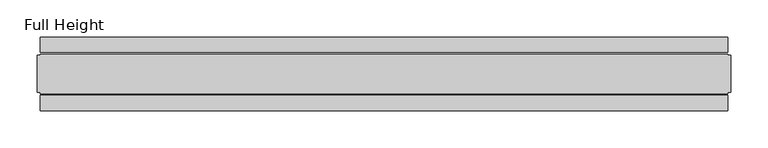
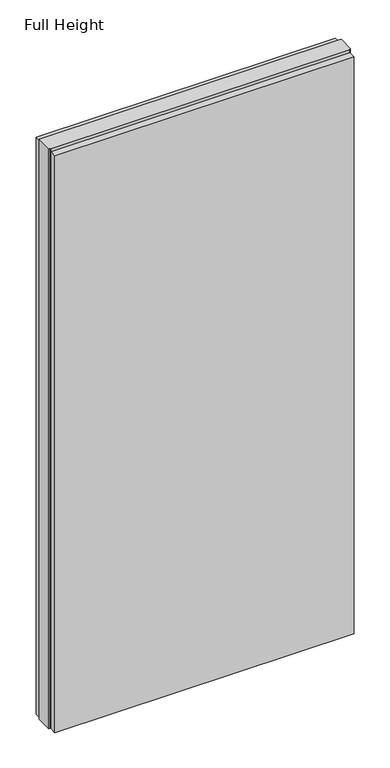
"""IFC4 building model written with IfcOpenShell, lengths in millimetres: plate geometry, Full Height."""

from ifc_helpers import new_model, si_unit, origin, origin_with_axes, place, context, project, spatial, polyline, outline, extrude, source, transform, mapped, element, save


def full_height_efd32772(model_context):
    return source(origin(), model_context, "Body", "SweptSolid", [
        extrude(outline(polyline([(463.330153, -28.956), (463.330153, -49.53), (-463.330153, -49.53), (-463.330153, -28.956), (463.330153, -28.956)])), origin_with_axes(), (0.0, 0.0, 1.0), 1889.252),
        extrude(outline(polyline([(463.330153, 28.956), (-463.330153, 28.956), (-463.330153, 49.53), (463.330153, 49.53), (463.330153, 28.956)])), origin_with_axes(), (0.0, 0.0, 1.0), 1889.252),
        extrude(outline(polyline([(463.330153, 25.146), (467.902153, 25.146), (467.902153, -25.146), (463.330153, -25.146), (463.330153, -26.67), (-463.330153, -26.67), (-463.330153, -25.146), (-467.902153, -25.146), (-467.902153, 25.146), (-463.330153, 25.146), (-463.330153, 26.67), (463.330153, 26.67), (463.330153, 25.146)])), origin_with_axes(), (0.0, 0.0, 1.0), 1898.396),
    ])


if __name__ == "__main__":
    model = new_model("IFC4")
    model_context = context("Model", 3, world=origin())
    ifc_project = project(units=[si_unit("LENGTHUNIT", "METRE", prefix="MILLI")], contexts=[model_context])
    site = spatial("IfcSite", under=ifc_project)
    building = spatial("IfcBuilding", under=site)
    placement = place(None, origin())
    full_height_shape = full_height_efd32772(model_context)
    element("IfcPlate", 1, ObjectType="Full Height", at=placement, inside=building, context=model_context, shape_type="MappedRepresentation", body=[
        mapped(full_height_shape, transform((0.0, 0.0, 0.0), x_axis=(1.0, 0.0, 0.0), y_axis=(0.0, 1.0, 0.0), z_axis=(0.0, 0.0, 1.0))),
    ])
    save(model, "model.ifc")
